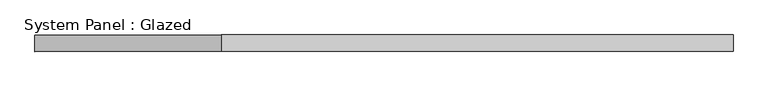
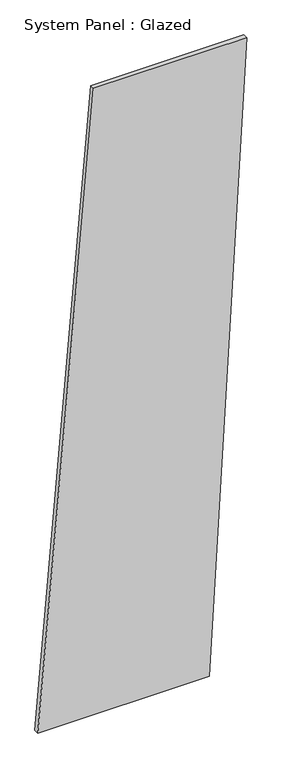
"""IFC4 building model written with IfcOpenShell, lengths in millimetres: plate geometry, System Panel : Glazed."""

from ifc_helpers import new_model, si_unit, frame, origin, place, context, project, spatial, polyline, outline, extrude, source, transform, mapped, element, save


def system_panel_glazed_1338f545(model_context):
    return source(origin(), model_context, "Body", "SweptSolid", [
        extrude(outline(polyline([(0.0, -526.8675229), (0.0, 339.4431326), (3339.8511072, 526.8675229), (3339.8511072, -245.7309374), (0.0, -526.8675229)])), frame((0.0, -49.5, 0.0), z_axis=(0.0, 1.0, 0.0), x_axis=(0.0, 0.0, 1.0)), (0.0, 0.0, 1.0), 25.0),
    ])


if __name__ == "__main__":
    model = new_model("IFC4")
    model_context = context("Model", 3, world=origin())
    ifc_project = project(units=[si_unit("LENGTHUNIT", "METRE", prefix="MILLI")], contexts=[model_context])
    site = spatial("IfcSite", under=ifc_project)
    building = spatial("IfcBuilding", under=site)
    placement = place(None, origin())
    system_panel_glazed_shape = system_panel_glazed_1338f545(model_context)
    element("IfcPlate", 1, ObjectType="System Panel : Glazed", at=placement, inside=building, context=model_context, shape_type="MappedRepresentation", body=[
        mapped(system_panel_glazed_shape, transform((0.0, 0.0, 0.0), x_axis=(1.0, 0.0, 0.0), y_axis=(0.0, 1.0, 0.0), z_axis=(0.0, 0.0, 1.0))),
    ])
    save(model, "model.ifc")
